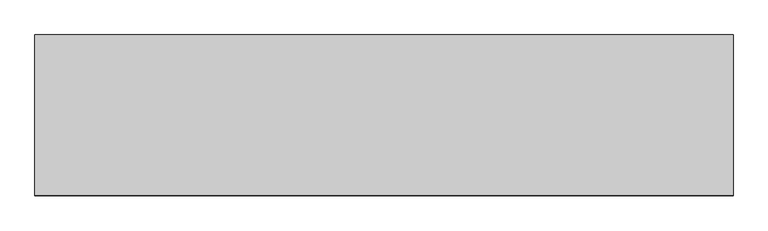
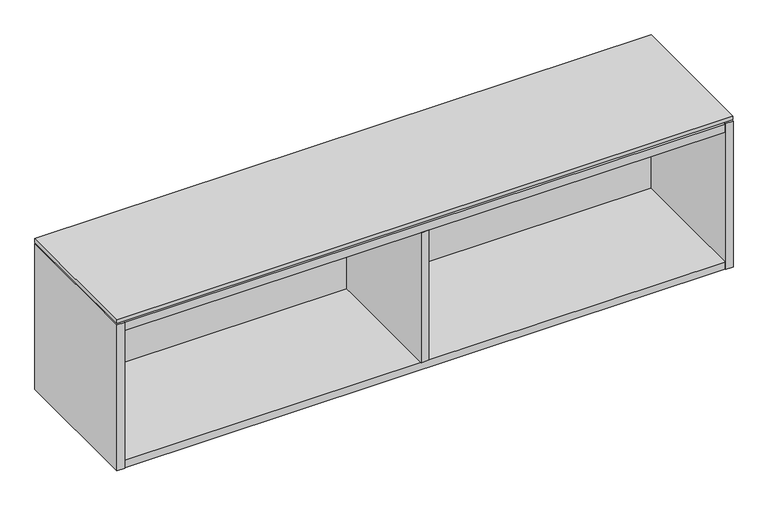
"""IFC4 building model written with IfcOpenShell, lengths in millimetres: furniture geometry."""

from ifc_helpers import new_model, si_unit, frame, origin, place, context, project, spatial, polyline, outline, extrude, faceted_brep, source, transform, mapped, element, save


def furniture_99be3332(model_context):
    return source(origin(), model_context, "Body", "SolidModel", [
        extrude(outline(polyline([(1063.8234375, -191.0115724), (-457.2, -191.0115724), (-457.2, 158.8226276), (1063.8234375, 158.8226276), (1063.8234375, -191.0115724)])), frame((0.0, 0.0, 689.102), z_axis=(0.0, 0.0, 1.0), x_axis=(1.0, 0.0, 0.0)), (0.0, 0.0, 1.0), 9.779),
        extrude(outline(polyline([(-437.896, 145.5282676), (-437.896, 158.8226276), (1044.5194375, 158.8226276), (1044.5194375, 145.5282676), (-437.896, 145.5282676)])), frame((0.0, 0.0, 587.91475), z_axis=(0.0, 0.0, 1.0), x_axis=(1.0, 0.0, 0.0)), (0.0, 0.0, 1.0), 76.2),
        extrude(outline(polyline([(312.9637187, -191.7735724), (293.6597187, -191.7735724), (293.6597187, 126.2242676), (312.9637187, 126.2242676), (312.9637187, -191.7735724)])), frame((0.0, 0.0, 324.866), z_axis=(0.0, 0.0, 1.0), x_axis=(1.0, 0.0, 0.0)), (0.0, 0.0, 1.0), 339.24875),
        faceted_brep([(1044.5194375, -191.0115724, 324.866), (-437.896, -191.0115724, 324.866), (-437.896, -191.0115724, 305.562), (1044.5194375, -191.0115724, 305.562), (-437.896, 145.5282676, 664.11475), (1044.5194375, 145.5282676, 664.11475), (1044.5194375, 145.5282676, 304.8), (-437.896, 145.5282676, 304.8), (1044.5194375, 126.2242676, 324.866), (-437.896, 126.2242676, 324.866), (-437.896, 126.2242676, 305.562), (1044.5194375, 126.2242676, 305.562), (-437.896, 158.8226276, 685.8), (-457.2, 158.8226276, 685.8), (-457.2, -191.7735724, 685.8), (-437.896, -191.7735724, 685.8), (1044.5194375, -191.7735724, 685.8), (1063.8234375, -191.7735724, 685.8), (1063.8234375, 158.8226276, 685.8), (1044.5194375, 158.8226276, 685.8), (-437.896, -191.7735724, 304.8), (-457.2, -191.7735724, 304.8), (-457.2, 158.8226276, 304.8), (-437.896, 158.8226276, 304.8), (1044.5194375, 158.8226276, 304.8), (1063.8234375, 158.8226276, 304.8), (1063.8234375, -191.7735724, 304.8), (1044.5194375, -191.7735724, 304.8), (1044.5194375, 126.2242676, 304.8), (-437.896, 126.2242676, 304.8), (-437.896, 158.8226276, 685.038), (1044.5194375, 158.8226276, 685.038), (1044.5194375, 158.8226276, 664.11475), (-437.896, 158.8226276, 664.11475), (-437.896, 126.2242676, 664.11475), (-437.896, -191.0115724, 664.11475), (-437.896, -191.0115724, 685.038), (1044.5194375, -191.0115724, 685.038), (1044.5194375, -191.0115724, 664.11475), (1044.5194375, 126.2242676, 664.11475)], [[[0, 1, 2, 3]], [[4, 5, 6, 7]], [[1, 0, 8, 9]], [[3, 2, 10, 11]], [[12, 13, 14, 15]], [[16, 17, 18, 19]], [[20, 21, 22, 23, 7, 6, 24, 25, 26, 27, 28, 29]], [[13, 12, 30, 31, 19, 18, 25, 24, 32, 33, 23, 22]], [[14, 13, 22, 21]], [[15, 14, 21, 20]], [[4, 7, 23, 33]], [[12, 15, 20, 29, 10, 2, 1, 9, 34, 35, 36, 30]], [[6, 5, 32, 24]], [[16, 19, 31, 37, 38, 39, 8, 0, 3, 11, 28, 27]], [[17, 16, 27, 26]], [[18, 17, 26, 25]], [[37, 36, 35, 38]], [[36, 37, 31, 30]], [[33, 32, 5, 4]], [[38, 35, 34, 39]], [[9, 8, 39, 34]], [[29, 28, 11, 10]]]),
    ])


if __name__ == "__main__":
    model = new_model("IFC4")
    model_context = context("Model", 3, world=origin())
    ifc_project = project(units=[si_unit("LENGTHUNIT", "METRE", prefix="MILLI")], contexts=[model_context])
    site = spatial("IfcSite", under=ifc_project)
    building = spatial("IfcBuilding", under=site)
    placement = place(None, origin())
    furniture_shape = furniture_99be3332(model_context)
    element("IfcFurniture", 1, at=placement, inside=building, context=model_context, shape_type="MappedRepresentation", body=[
        mapped(furniture_shape, transform((0.0, 0.0, 0.0), x_axis=(1.0, 0.0, 0.0), y_axis=(0.0, 1.0, 0.0), z_axis=(0.0, 0.0, 1.0))),
    ])
    save(model, "model.ifc")
